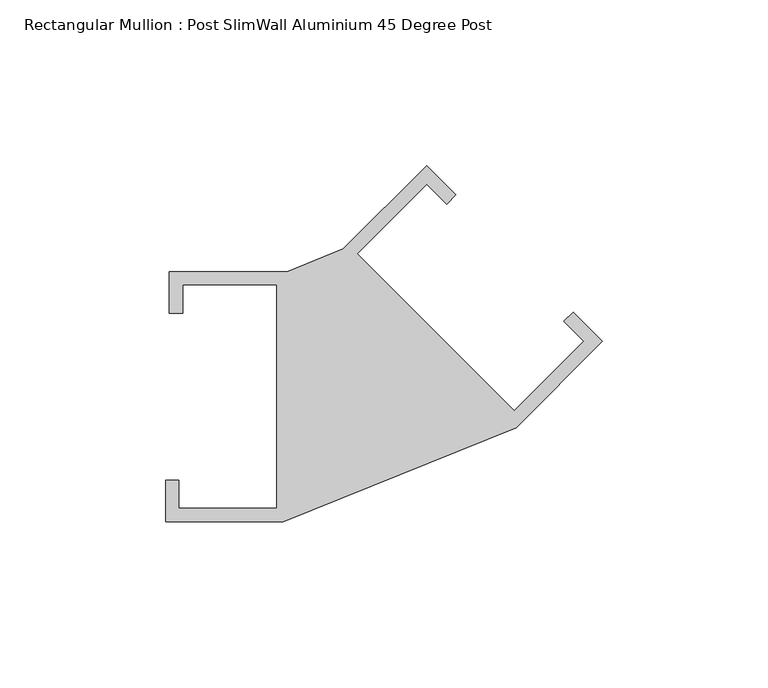
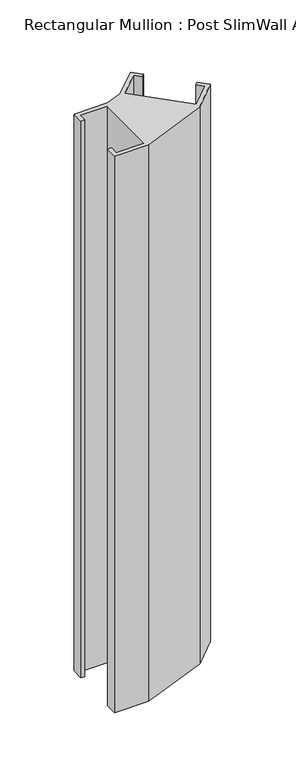
"""IFC4 building model written with IfcOpenShell, lengths in millimetres: member geometry, Rectangular Mullion : Post SlimWall Aluminium 45 Degree Post."""

from ifc_helpers import new_model, si_unit, frame, origin, place, context, project, spatial, polyline, outline, extrude, source, transform, mapped, element, save


def rectangular_mullion_post_slimwall_aluminium_45_degree_post_b993e64d(model_context):
    return source(origin(), model_context, "Body", "SweptSolid", [
        extrude(outline(polyline([(-98.2886422, -33.72692), (-98.2886422, 33.72692), (-126.6653488, 33.72692), (-126.6653488, 25.22692), (-130.6653488, 25.22692), (-130.6653488, 37.72692), (-95.1653488, 37.72692), (-78.1352993, 44.6075066), (-53.0330086, 69.7097973), (-44.1941738, 60.8709626), (-47.0226009, 58.0425354), (-53.0330086, 64.0529431), (-73.8926586, 43.193293), (-26.5165043, -4.1828613), (-5.6568542, 16.6767887), (-11.6672619, 22.6871964), (-8.8388348, 25.5156235), (0.0, 16.6767887), (-26.0088157, -9.3320269), (-96.2886422, -37.72692), (-131.7886422, -37.72692), (-131.7886422, -25.22692), (-127.7886422, -25.22692), (-127.7886422, -33.72692), (-98.2886422, -33.72692)])), frame((0.0, 0.0, -615.0), z_axis=(0.0, 0.0, 1.0), x_axis=(1.0, 0.0, 0.0)), (0.0, 0.0, 1.0), 615.0),
    ])


if __name__ == "__main__":
    model = new_model("IFC4")
    model_context = context("Model", 3, world=origin())
    ifc_project = project(units=[si_unit("LENGTHUNIT", "METRE", prefix="MILLI")], contexts=[model_context])
    site = spatial("IfcSite", under=ifc_project)
    building = spatial("IfcBuilding", under=site)
    placement = place(None, origin())
    rectangular_mullion_post_slimwall_aluminium_45_degree_post_shape = rectangular_mullion_post_slimwall_aluminium_45_degree_post_b993e64d(model_context)
    element("IfcMember", 1, ObjectType="Rectangular Mullion : Post SlimWall Aluminium 45 Degree Post", at=placement, inside=building, context=model_context, shape_type="MappedRepresentation", body=[
        mapped(rectangular_mullion_post_slimwall_aluminium_45_degree_post_shape, transform((0.0, 0.0, 0.0), x_axis=(1.0, 0.0, 0.0), y_axis=(0.0, 1.0, 0.0), z_axis=(0.0, 0.0, 1.0))),
    ])
    save(model, "model.ifc")
